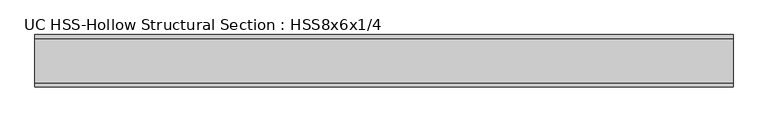
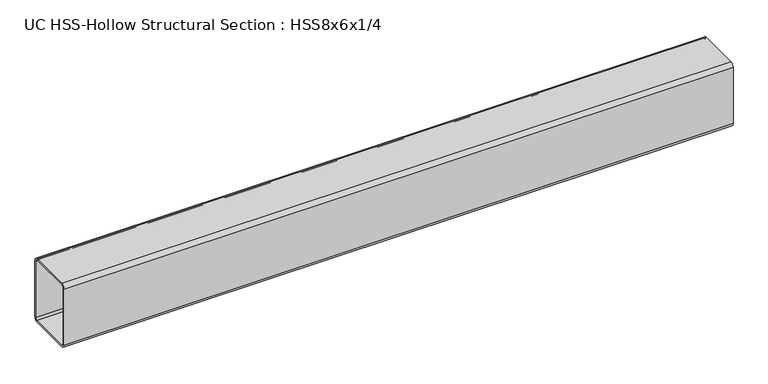
"""IFC4 building model written with IfcOpenShell, lengths in millimetres: beam geometry, UC HSS-Hollow Structural Section : HSS8x6x1/4."""

from ifc_helpers import new_model, si_unit, point, frame, frame_2d, origin, place, context, project, spatial, polyline, circle_curve, trimmed, segment, composite_curve, outline, extrude, source, transform, mapped, element, save


def uc_hss_hollow_structural_section_hss8x6x1_4_3b376995(model_context):
    return source(origin(), model_context, "Body", "SweptSolid", [
        extrude(outline(composite_curve([segment(polyline([(76.2, 89.7636), (76.2, -89.7636)]), True, "CONTINUOUS"), segment(trimmed(circle_curve(frame_2d((64.3636, -89.7636)), 11.8364), [point((76.2, -89.7636))], [point((64.3636, -101.6))], False, "CARTESIAN"), True, "CONTINUOUS"), segment(polyline([(64.3636, -101.6), (-64.3636, -101.6)]), True, "CONTINUOUS"), segment(trimmed(circle_curve(frame_2d((-64.3636, -89.7636)), 11.8364), [point((-64.3636, -101.6))], [point((-76.2, -89.7636))], False, "CARTESIAN"), True, "CONTINUOUS"), segment(polyline([(-76.2, -89.7636), (-76.2, 89.7636)]), True, "CONTINUOUS"), segment(trimmed(circle_curve(frame_2d((-64.3636, 89.7636)), 11.8364), [point((-76.2, 89.7636))], [point((-64.3636, 101.6))], False, "CARTESIAN"), True, "CONTINUOUS"), segment(polyline([(-64.3636, 101.6), (64.3636, 101.6)]), True, "CONTINUOUS"), segment(trimmed(circle_curve(frame_2d((64.3636, 89.7636)), 11.8364), [point((64.3636, 101.6))], [point((76.2, 89.7636))], False, "CARTESIAN"), True, "CONTINUOUS")], self_intersect=False), holes=[composite_curve([segment(trimmed(circle_curve(frame_2d((-64.3636, 89.7636)), 5.9182), [point((-64.3636, 95.6818))], [point((-70.2818, 89.7636))], True, "CARTESIAN"), True, "CONTINUOUS"), segment(polyline([(-70.2818, 89.7636), (-70.2818, -89.7636)]), True, "CONTINUOUS"), segment(trimmed(circle_curve(frame_2d((-64.3636, -89.7636)), 5.9182), [point((-70.2818, -89.7636))], [point((-64.3636, -95.6818))], True, "CARTESIAN"), True, "CONTINUOUS"), segment(polyline([(-64.3636, -95.6818), (64.3636, -95.6818)]), True, "CONTINUOUS"), segment(trimmed(circle_curve(frame_2d((64.3636, -89.7636)), 5.9182), [point((64.3636, -95.6818))], [point((70.2818, -89.7636))], True, "CARTESIAN"), True, "CONTINUOUS"), segment(polyline([(70.2818, -89.7636), (70.2818, 89.7636)]), True, "CONTINUOUS"), segment(trimmed(circle_curve(frame_2d((64.3636, 89.7636)), 5.9182), [point((70.2818, 89.7636))], [point((64.3636, 95.6818))], True, "CARTESIAN"), True, "CONTINUOUS"), segment(polyline([(64.3636, 95.6818), (-64.3636, 95.6818)]), True, "CONTINUOUS")], self_intersect=False)]), frame((-724.8631675, 0.0, 0.0), z_axis=(1.0, 0.0, 0.0), x_axis=(0.0, 1.0, 0.0)), (0.0, 0.0, 1.0), 2028.3956932),
    ])


if __name__ == "__main__":
    model = new_model("IFC4")
    model_context = context("Model", 3, world=origin())
    ifc_project = project(units=[si_unit("LENGTHUNIT", "METRE", prefix="MILLI")], contexts=[model_context])
    site = spatial("IfcSite", under=ifc_project)
    building = spatial("IfcBuilding", under=site)
    placement = place(None, origin())
    uc_hss_hollow_structural_section_hss8x6x1_4_shape = uc_hss_hollow_structural_section_hss8x6x1_4_3b376995(model_context)
    element("IfcBeam", 1, ObjectType="UC HSS-Hollow Structural Section : HSS8x6x1/4", at=placement, inside=building, context=model_context, shape_type="MappedRepresentation", body=[
        mapped(uc_hss_hollow_structural_section_hss8x6x1_4_shape, transform((0.0, 0.0, 0.0), x_axis=(1.0, 0.0, 0.0), y_axis=(0.0, 1.0, 0.0), z_axis=(0.0, 0.0, 1.0))),
    ])
    save(model, "model.ifc")
